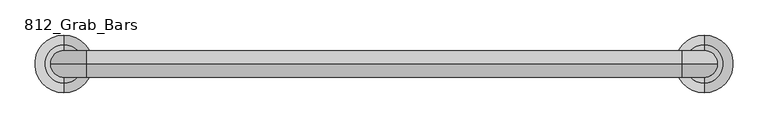
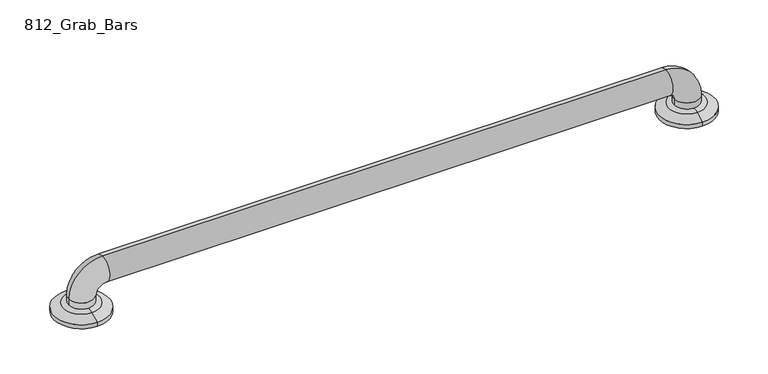
"""IFC4 building model written with IfcOpenShell, lengths in millimetres: proxy geometry, 812_Grab_Bars."""

from ifc_helpers import new_model, si_unit, point, frame, origin, place, context, project, spatial, polyline, circle_curve, ellipse_curve, trimmed, source, transform, mapped, element, save
from ifc_brep_helpers import plane_surface, cylinder_surface, revolved_surface, advanced_brep


def proxy_812_grab_bars_fb3f449a(model_context):
    return source(origin(), model_context, "Body", "AdvancedBrep", [
        advanced_brep(
        [(-401.6375, -564.1630987, 13.1934507), (-401.6375, -508.9869013, 13.1934507), (-401.6375, -495.3, 6.35), (-401.6375, -577.85, 6.35), (-401.6375, -555.625, 15.7178454), (-420.6875, -536.575, 15.7178454), (-401.6375, -517.525, 15.7178454), (-382.5875, -536.575, 15.7178454), (-401.6375, -577.85, 0.0), (-401.6375, -495.3, 0.0), (-401.6375, -517.525, 0.0), (-401.6375, -536.575, 0.0), (-401.6375, -555.625, 0.0), (-420.6875, -536.575, 25.4), (-382.5875, -536.575, 25.4), (-369.8875, -536.575, 76.2), (-369.8875, -536.575, 38.1), (481.0125, -536.575, 76.2), (481.0125, -536.575, 38.1), (531.8125, -536.575, 25.4), (493.7125, -536.575, 25.4), (512.7625, -577.85, 0.0), (512.7625, -495.3, 0.0), (531.8125, -536.575, 15.7178454), (512.7625, -517.525, 15.7178454), (493.7125, -536.575, 15.7178454), (512.7625, -555.625, 15.7178454), (512.7625, -564.1630987, 13.1934507), (512.7625, -508.9869013, 13.1934507), (512.7625, -495.3, 6.35), (512.7625, -577.85, 6.35)],
        [
            (0, 1, circle_curve(frame((-401.6375, -536.575, 13.1934507), z_axis=(0.0, 0.0, -1.0), x_axis=(0.0, 1.0, 0.0)), 27.5880987)),
            (1, 2),
            (2, 3, circle_curve(frame((-401.6375, -536.575, 6.35), z_axis=(0.0, 0.0, 1.0), x_axis=(0.0, 1.0, 0.0)), 41.275)),
            (3, 0),
            (1, 0, circle_curve(frame((-401.6375, -536.575, 13.1934507), z_axis=(0.0, 0.0, -1.0), x_axis=(0.0, 1.0, 0.0)), 27.5880987)),
            (3, 2, circle_curve(frame((-401.6375, -536.575, 6.35), z_axis=(0.0, 0.0, 1.0), x_axis=(0.0, 1.0, 0.0)), 41.275)),
            (0, 4, circle_curve(frame((-401.6375, -552.8038734, -9.525), z_axis=(-1.0, 0.0, 0.0), x_axis=(0.0, 0.0, -1.0)), 25.4)),
            (4, 5, circle_curve(frame((-401.6375, -536.575, 15.7178454), z_axis=(0.0, 0.0, -1.0), x_axis=(0.0, 1.0, 0.0)), 19.05)),
            (5, 6, circle_curve(frame((-401.6375, -536.575, 15.7178454), z_axis=(0.0, 0.0, -1.0), x_axis=(0.0, 1.0, 0.0)), 19.05)),
            (6, 1, circle_curve(frame((-401.6375, -520.3461266, -9.525), z_axis=(-1.0, 0.0, 0.0), x_axis=(0.0, 0.0, -1.0)), 25.4)),
            (6, 7, circle_curve(frame((-401.6375, -536.575, 15.7178454), z_axis=(0.0, 0.0, -1.0), x_axis=(0.0, 1.0, 0.0)), 19.05)),
            (7, 4, circle_curve(frame((-401.6375, -536.575, 15.7178454), z_axis=(0.0, 0.0, -1.0), x_axis=(0.0, 1.0, 0.0)), 19.05)),
            (8, 9, circle_curve(frame((-401.6375, -536.575, 0.0), z_axis=(0.0, 0.0, -1.0), x_axis=(0.0, 1.0, 0.0)), 41.275)),
            (9, 10),
            (10, 11),
            (11, 12),
            (12, 8),
            (9, 8, circle_curve(frame((-401.6375, -536.575, 0.0), z_axis=(0.0, 0.0, -1.0), x_axis=(0.0, 1.0, 0.0)), 41.275)),
            (2, 9),
            (8, 3),
            (13, 14, circle_curve(frame((-401.6375, -536.575, 25.4), z_axis=(0.0, 0.0, -1.0), x_axis=(1.0, 0.0, 0.0)), 19.05)),
            (14, 7),
            (5, 13),
            (14, 13, circle_curve(frame((-401.6375, -536.575, 25.4), z_axis=(0.0, 0.0, -1.0), x_axis=(1.0, 0.0, 0.0)), 19.05)),
            (13, 15, circle_curve(frame((-369.8875, -536.575, 25.4), z_axis=(0.0, 1.0, 0.0), x_axis=(-1.0, 0.0, 0.0)), 50.8)),
            (15, 16, circle_curve(frame((-369.8875, -536.575, 57.15), z_axis=(-1.0, 0.0, 0.0), x_axis=(0.0, 0.0, -1.0)), 19.05)),
            (16, 14, circle_curve(frame((-369.8875, -536.575, 25.4), z_axis=(0.0, -1.0, 0.0), x_axis=(-1.0, 0.0, 0.0)), 12.7)),
            (16, 15, circle_curve(frame((-369.8875, -536.575, 57.15), z_axis=(-1.0, 0.0, 0.0), x_axis=(0.0, 0.0, -1.0)), 19.05)),
            (15, 17),
            (17, 18, circle_curve(frame((481.0125, -536.575, 57.15), z_axis=(-1.0, 0.0, 0.0), x_axis=(0.0, 0.0, -1.0)), 19.05)),
            (18, 16),
            (18, 17, circle_curve(frame((481.0125, -536.575, 57.15), z_axis=(-1.0, 0.0, 0.0), x_axis=(0.0, 0.0, -1.0)), 19.05)),
            (17, 19, circle_curve(frame((481.0125, -536.575, 25.4), z_axis=(0.0, 1.0, 0.0), x_axis=(0.0, 0.0, 1.0)), 50.8)),
            (19, 20, circle_curve(frame((512.7625, -536.575, 25.4), z_axis=(0.0, 0.0, 1.0), x_axis=(-1.0, 0.0, 0.0)), 19.05)),
            (20, 18, circle_curve(frame((481.0125, -536.575, 25.4), z_axis=(0.0, -1.0, 0.0), x_axis=(0.0, 0.0, 1.0)), 12.7)),
            (20, 19, circle_curve(frame((512.7625, -536.575, 25.4), z_axis=(0.0, 0.0, 1.0), x_axis=(-1.0, 0.0, 0.0)), 19.05)),
            (21, 22, circle_curve(frame((512.7625, -536.575, 0.0), z_axis=(0.0, 0.0, -1.0), x_axis=(0.0, 1.0, 0.0)), 41.275)),
            (22, 21, circle_curve(frame((512.7625, -536.575, 0.0), z_axis=(0.0, 0.0, -1.0), x_axis=(0.0, 1.0, 0.0)), 41.275)),
            (19, 23),
            (23, 24, circle_curve(frame((512.7625, -536.575, 15.7178454), z_axis=(0.0, 0.0, 1.0), x_axis=(-1.0, 0.0, 0.0)), 19.05)),
            (24, 25, circle_curve(frame((512.7625, -536.575, 15.7178454), z_axis=(0.0, 0.0, 1.0), x_axis=(-1.0, 0.0, 0.0)), 19.05)),
            (25, 20),
            (25, 26, circle_curve(frame((512.7625, -536.575, 15.7178454), z_axis=(0.0, 0.0, 1.0), x_axis=(-1.0, 0.0, 0.0)), 19.05)),
            (26, 23, circle_curve(frame((512.7625, -536.575, 15.7178454), z_axis=(0.0, 0.0, 1.0), x_axis=(-1.0, 0.0, 0.0)), 19.05)),
            (27, 28, circle_curve(frame((512.7625, -536.575, 13.1934507), z_axis=(0.0, 0.0, -1.0), x_axis=(0.0, 1.0, 0.0)), 27.5880987)),
            (28, 29),
            (29, 30, circle_curve(frame((512.7625, -536.575, 6.35), z_axis=(0.0, 0.0, 1.0), x_axis=(0.0, 1.0, 0.0)), 41.275)),
            (30, 27),
            (28, 27, circle_curve(frame((512.7625, -536.575, 13.1934507), z_axis=(0.0, 0.0, -1.0), x_axis=(0.0, 1.0, 0.0)), 27.5880987)),
            (30, 29, circle_curve(frame((512.7625, -536.575, 6.35), z_axis=(0.0, 0.0, 1.0), x_axis=(0.0, 1.0, 0.0)), 41.275)),
            (27, 26, circle_curve(frame((512.7625, -552.8038734, -9.525), z_axis=(-1.0, 0.0, 0.0), x_axis=(0.0, 0.0, -1.0)), 25.4)),
            (24, 28, circle_curve(frame((512.7625, -520.3461266, -9.525), z_axis=(-1.0, 0.0, 0.0), x_axis=(0.0, 0.0, -1.0)), 25.4)),
            (29, 22),
            (21, 30),
        ],
        [
            revolved_surface(polyline([(-401.6375, -495.3, 6.35), (-401.6375, -508.9869013, 13.1934507)]), (-401.6375, -536.575, 31.75), (0.0, 0.0, 1.0)),
            revolved_surface(trimmed(ellipse_curve(frame((-401.6375, -520.3461266, -9.525), z_axis=(1.0, 0.0, 0.0), x_axis=(0.0, 0.0, -1.0)), 25.4, 25.4), [point((-401.6375, -508.9869013, 13.1934507))], [point((-401.6375, -520.3461266, 15.875))], True, "CARTESIAN"), (-401.6375, -536.575, 31.75), (0.0, 0.0, 1.0)),
            plane_surface(frame((-401.6375, -536.575, 0.0), z_axis=(0.0, 0.0, -1.0), x_axis=(0.0, 1.0, 0.0))),
            cylinder_surface(frame((-401.6375, -536.575, 31.75), z_axis=(0.0, 0.0, 1.0), x_axis=(0.0, 1.0, 0.0)), 41.275),
            cylinder_surface(frame((-401.6375, -536.575, 0.0), z_axis=(0.0, 0.0, -1.0), x_axis=(1.0, 0.0, 0.0)), 19.05),
            revolved_surface(trimmed(ellipse_curve(frame((-401.6375, -536.575, 25.4), z_axis=(0.0, 0.0, -1.0), x_axis=(1.0, 0.0, 0.0)), 19.05, 19.05), [point((-420.6875, -536.575, 25.4))], [point((-382.5875, -536.575, 25.4))], True, "CARTESIAN"), (-369.8875, -536.575, 25.4), (0.0, 1.0, 0.0)),
            revolved_surface(trimmed(ellipse_curve(frame((-401.6375, -536.575, 25.4), z_axis=(0.0, 0.0, -1.0), x_axis=(1.0, 0.0, 0.0)), 19.05, 19.05), [point((-382.5875, -536.575, 25.4))], [point((-420.6875, -536.575, 25.4))], True, "CARTESIAN"), (-369.8875, -536.575, 25.4), (0.0, 1.0, 0.0)),
            cylinder_surface(frame((-369.8875, -536.575, 57.15), z_axis=(-1.0, 0.0, 0.0), x_axis=(0.0, 0.0, -1.0)), 19.05),
            revolved_surface(trimmed(ellipse_curve(frame((481.0125, -536.575, 57.15), z_axis=(-1.0, 0.0, 0.0), x_axis=(0.0, 0.0, -1.0)), 19.05, 19.05), [point((481.0125, -536.575, 76.2))], [point((481.0125, -536.575, 38.1))], True, "CARTESIAN"), (481.0125, -536.575, 25.4), (0.0, 1.0, 0.0)),
            revolved_surface(trimmed(ellipse_curve(frame((481.0125, -536.575, 57.15), z_axis=(-1.0, 0.0, 0.0), x_axis=(0.0, 0.0, -1.0)), 19.05, 19.05), [point((481.0125, -536.575, 38.1))], [point((481.0125, -536.575, 76.2))], True, "CARTESIAN"), (481.0125, -536.575, 25.4), (0.0, 1.0, 0.0)),
            plane_surface(frame((512.7625, -536.575, 0.0), z_axis=(0.0, 0.0, -1.0), x_axis=(0.0, 1.0, 0.0))),
            cylinder_surface(frame((512.7625, -536.575, 25.4), z_axis=(0.0, 0.0, 1.0), x_axis=(-1.0, 0.0, 0.0)), 19.05),
            revolved_surface(polyline([(512.7625, -495.3, 6.35), (512.7625, -508.9869013, 13.1934507)]), (512.7625, -536.575, -29.0642853), (0.0, 0.0, 1.0)),
            revolved_surface(trimmed(ellipse_curve(frame((512.7625, -520.3461266, -9.525), z_axis=(1.0, 0.0, 0.0), x_axis=(0.0, 0.0, -1.0)), 25.4, 25.4), [point((512.7625, -508.9869013, 13.1934507))], [point((512.7625, -520.3461266, 15.875))], True, "CARTESIAN"), (512.7625, -536.575, -29.0642853), (0.0, 0.0, 1.0)),
            cylinder_surface(frame((512.7625, -536.575, -29.0642853), z_axis=(0.0, 0.0, 1.0), x_axis=(0.0, 1.0, 0.0)), 41.275),
        ],
        [
            (0, [[1, 2, 3, 4]]),
            (0, [[-2, 5, -4, 6]]),
            (1, [[-1, 7, 8, 9, 10]]),
            (1, [[-5, -10, 11, 12, -7]]),
            (2, [[13, 14, 15, 16, 17]]),
            (2, [[18, -17, -16, -15, -14]]),
            (3, [[-3, 19, -13, 20]]),
            (3, [[-6, -20, -18, -19]]),
            (4, [[21, 22, -11, -9, 23]]),
            (4, [[24, -23, -8, -12, -22]]),
            (5, [[-21, 25, 26, 27]]),
            (6, [[-24, -27, 28, -25]]),
            (7, [[-26, 29, 30, 31]]),
            (7, [[-28, -31, 32, -29]]),
            (8, [[-30, 33, 34, 35]]),
            (9, [[-32, -35, 36, -33]]),
            (10, [[37, 38]]),
            (11, [[-34, 39, 40, 41, 42]]),
            (11, [[-36, -42, 43, 44, -39]]),
            (12, [[45, 46, 47, 48]]),
            (12, [[-46, 49, -48, 50]]),
            (13, [[-45, 51, -43, -41, 52]]),
            (13, [[-49, -52, -40, -44, -51]]),
            (14, [[-47, 53, -37, 54]]),
            (14, [[-50, -54, -38, -53]]),
        ],
    ),
    ])


if __name__ == "__main__":
    model = new_model("IFC4")
    model_context = context("Model", 3, world=origin())
    ifc_project = project(units=[si_unit("LENGTHUNIT", "METRE", prefix="MILLI")], contexts=[model_context])
    site = spatial("IfcSite", under=ifc_project)
    building = spatial("IfcBuilding", under=site)
    placement = place(None, origin())
    proxy_812_grab_bars_shape = proxy_812_grab_bars_fb3f449a(model_context)
    element("IfcBuildingElementProxy", 1, Name="812_Grab_Bars", ObjectType="812_Grab_Bars", at=placement, inside=building, context=model_context, shape_type="MappedRepresentation", body=[
        mapped(proxy_812_grab_bars_shape, transform((0.0, 0.0, 0.0), x_axis=(1.0, 0.0, 0.0), y_axis=(0.0, 1.0, 0.0), z_axis=(0.0, 0.0, 1.0))),
    ])
    save(model, "model.ifc")
